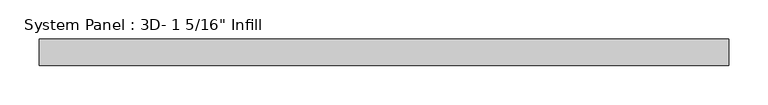
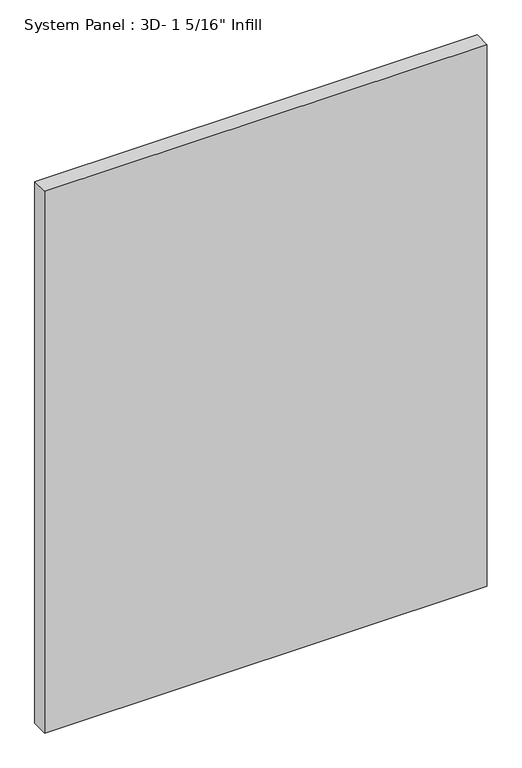
"""IFC4 building model written with IfcOpenShell, lengths in millimetres: plate geometry."""

from ifc_helpers import new_model, si_unit, origin, origin_with_axes, place, context, project, spatial, polyline, outline, extrude, source, transform, mapped, element, save


def plate_7ec0e84f(model_context):
    return source(origin(), model_context, "Body", "SweptSolid", [
        extrude(outline(polyline([(438.1038418, -16.66875), (-438.1038418, -16.66875), (-438.1038418, 16.66875), (438.1038418, 16.66875), (438.1038418, -16.66875)])), origin_with_axes(), (0.0, 0.0, 1.0), 1133.4701083),
    ])


if __name__ == "__main__":
    model = new_model("IFC4")
    model_context = context("Model", 3, world=origin())
    ifc_project = project(units=[si_unit("LENGTHUNIT", "METRE", prefix="MILLI")], contexts=[model_context])
    site = spatial("IfcSite", under=ifc_project)
    building = spatial("IfcBuilding", under=site)
    placement = place(None, origin())
    plate_shape = plate_7ec0e84f(model_context)
    element("IfcPlate", 1, ObjectType="System Panel : 3D- 1 5/16\" Infill", at=placement, inside=building, context=model_context, shape_type="MappedRepresentation", body=[
        mapped(plate_shape, transform((0.0, 0.0, 0.0), x_axis=(1.0, 0.0, 0.0), y_axis=(0.0, 1.0, 0.0), z_axis=(0.0, 0.0, 1.0))),
    ])
    save(model, "model.ifc")
